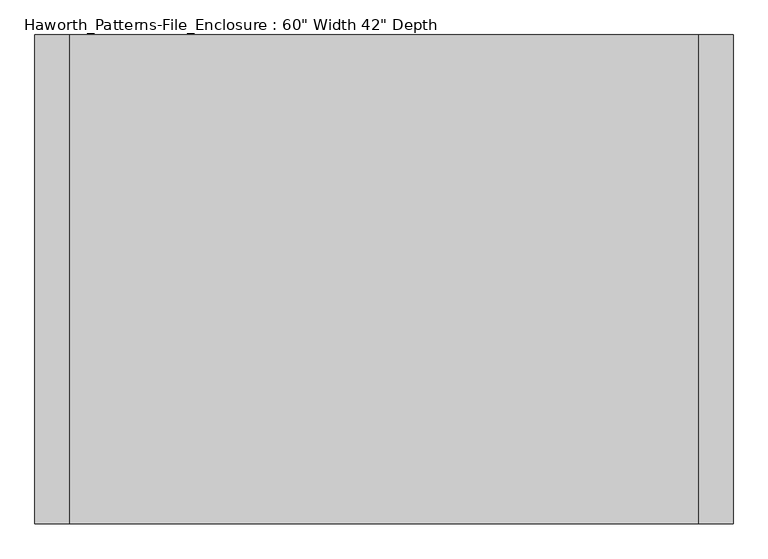
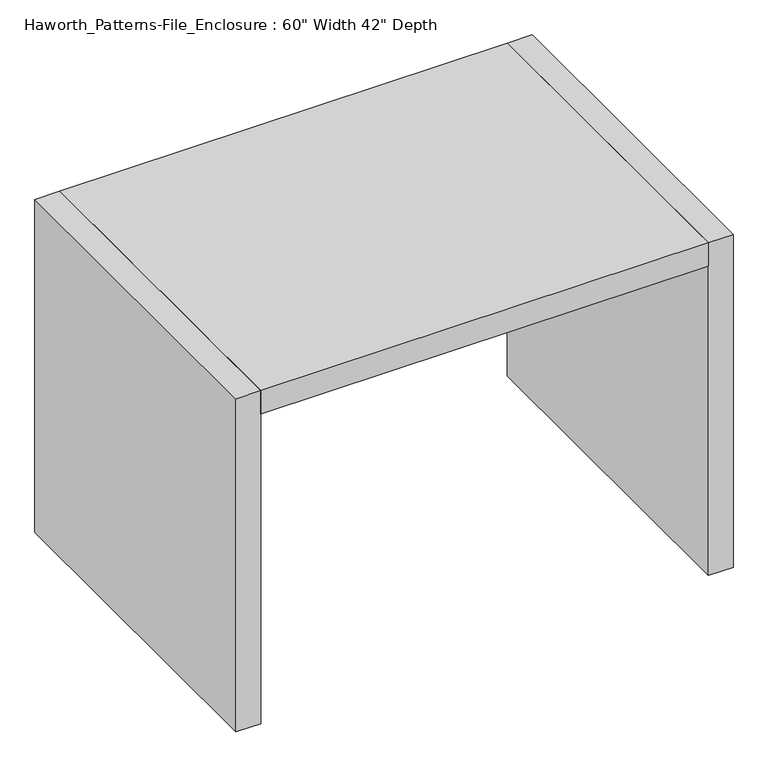
"""IFC4 building model written with IfcOpenShell, lengths in millimetres: furniture geometry."""

from ifc_helpers import new_model, si_unit, frame, origin, origin_with_axes, place, context, project, spatial, polyline, outline, extrude, source, transform, mapped, element, save


def furniture_951ecb0e(model_context):
    return source(origin(), model_context, "Body", "SweptSolid", [
        extrude(outline(polyline([(685.8, 0.0), (685.8, -1066.8), (-685.8, -1066.8), (-685.8, 0.0), (685.8, 0.0)])), frame((0.0, 0.0, 1003.3), z_axis=(0.0, 0.0, 1.0), x_axis=(1.0, 0.0, 0.0)), (0.0, 0.0, 1.0), 76.2),
        extrude(outline(polyline([(685.8, 0.0), (762.0, 0.0), (762.0, -1066.8), (685.8, -1066.8), (685.8, 0.0)])), origin_with_axes(), (0.0, 0.0, 1.0), 1079.5),
        extrude(outline(polyline([(-685.8, 0.0), (-685.8, -1066.8), (-762.0, -1066.8), (-762.0, 0.0), (-685.8, 0.0)])), origin_with_axes(), (0.0, 0.0, 1.0), 1079.5),
    ])


if __name__ == "__main__":
    model = new_model("IFC4")
    model_context = context("Model", 3, world=origin())
    ifc_project = project(units=[si_unit("LENGTHUNIT", "METRE", prefix="MILLI")], contexts=[model_context])
    site = spatial("IfcSite", under=ifc_project)
    building = spatial("IfcBuilding", under=site)
    placement = place(None, origin())
    furniture_shape = furniture_951ecb0e(model_context)
    element("IfcFurniture", 1, ObjectType="Haworth_Patterns-File_Enclosure : 60\" Width 42\" Depth", at=placement, inside=building, context=model_context, shape_type="MappedRepresentation", body=[
        mapped(furniture_shape, transform((0.0, 0.0, 0.0), x_axis=(1.0, 0.0, 0.0), y_axis=(0.0, 1.0, 0.0), z_axis=(0.0, 0.0, 1.0))),
    ])
    save(model, "model.ifc")
